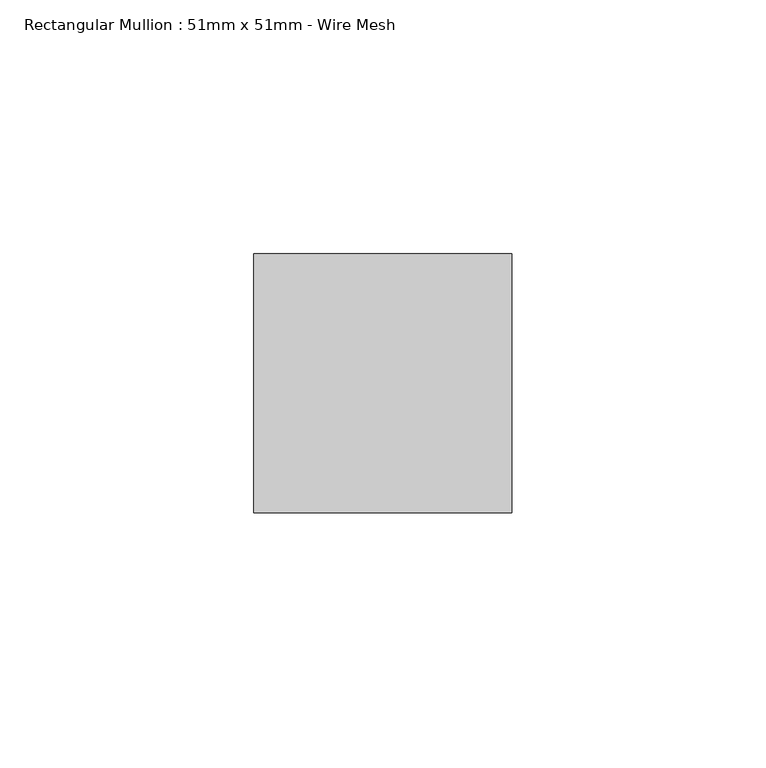
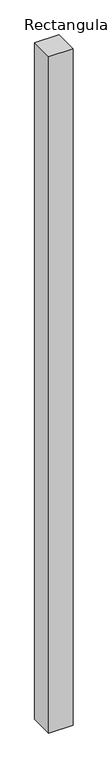
"""IFC4 building model written with IfcOpenShell, lengths in millimetres: member geometry, Rectangular Mullion : 51mm x 51mm - Wire Mesh."""

from ifc_helpers import new_model, si_unit, frame, origin, place, context, project, spatial, polyline, outline, extrude, source, transform, mapped, element, save


def rectangular_mullion_51mm_x_51mm_wire_mesh_1dc75150(model_context):
    return source(origin(), model_context, "Body", "SweptSolid", [
        extrude(outline(polyline([(0.0, 25.5), (0.0, -25.5), (-50.8, -25.5), (-50.8, 25.5), (0.0, 25.5)])), frame((0.0, 0.0, -1500.0), z_axis=(0.0, 0.0, 1.0), x_axis=(1.0, 0.0, 0.0)), (0.0, 0.0, 1.0), 1500.0),
    ])


if __name__ == "__main__":
    model = new_model("IFC4")
    model_context = context("Model", 3, world=origin())
    ifc_project = project(units=[si_unit("LENGTHUNIT", "METRE", prefix="MILLI")], contexts=[model_context])
    site = spatial("IfcSite", under=ifc_project)
    building = spatial("IfcBuilding", under=site)
    placement = place(None, origin())
    rectangular_mullion_51mm_x_51mm_wire_mesh_shape = rectangular_mullion_51mm_x_51mm_wire_mesh_1dc75150(model_context)
    element("IfcMember", 1, ObjectType="Rectangular Mullion : 51mm x 51mm - Wire Mesh", at=placement, inside=building, context=model_context, shape_type="MappedRepresentation", body=[
        mapped(rectangular_mullion_51mm_x_51mm_wire_mesh_shape, transform((0.0, 0.0, 0.0), x_axis=(1.0, 0.0, 0.0), y_axis=(0.0, 1.0, 0.0), z_axis=(0.0, 0.0, 1.0))),
    ])
    save(model, "model.ifc")
